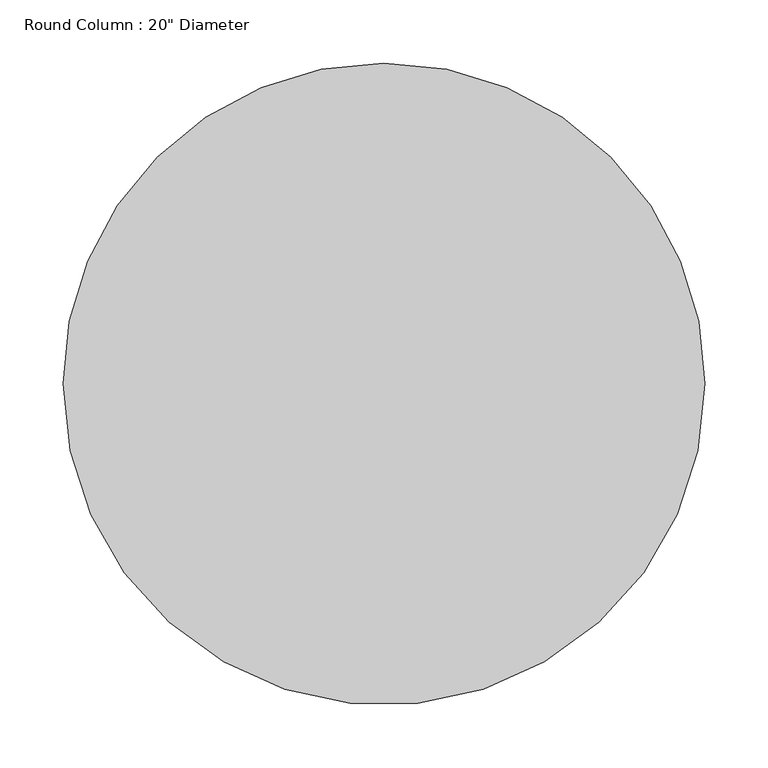
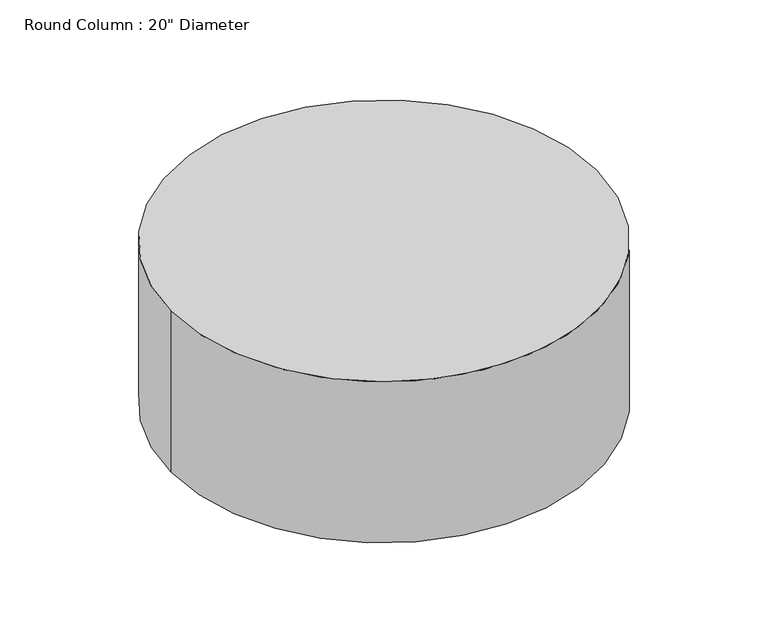
"""IFC4 building model written with IfcOpenShell, lengths in millimetres: column geometry."""

from ifc_helpers import new_model, si_unit, point, frame, origin, origin_2d, place, context, project, spatial, circle_curve, trimmed, segment, composite_curve, outline, extrude, source, transform, mapped, element, save


def column_b7b0468c(model_context):
    return source(origin(), model_context, "Body", "SweptSolid", [
        extrude(outline(composite_curve([segment(trimmed(circle_curve(origin_2d(), 254.0), [point((254.0, 0.0))], [point((-254.0, 0.0))], False, "CARTESIAN"), True, "CONTINUOUS"), segment(trimmed(circle_curve(origin_2d(), 254.0), [point((-254.0, 0.0))], [point((0.0, 254.0))], False, "CARTESIAN"), True, "CONTINUOUS"), segment(trimmed(circle_curve(origin_2d(), 254.0), [point((0.0, 254.0))], [point((254.0, 0.0))], False, "CARTESIAN"), True, "CONTINUOUS")], self_intersect=False)), frame((0.0, 0.0, 1422.4), z_axis=(0.0, 0.0, 1.0), x_axis=(1.0, 0.0, 0.0)), (0.0, 0.0, 1.0), 203.2),
    ])


if __name__ == "__main__":
    model = new_model("IFC4")
    model_context = context("Model", 3, world=origin())
    ifc_project = project(units=[si_unit("LENGTHUNIT", "METRE", prefix="MILLI")], contexts=[model_context])
    site = spatial("IfcSite", under=ifc_project)
    building = spatial("IfcBuilding", under=site)
    placement = place(None, origin())
    column_shape = column_b7b0468c(model_context)
    element("IfcColumn", 1, ObjectType="Round Column : 20\" Diameter", at=placement, inside=building, context=model_context, shape_type="MappedRepresentation", body=[
        mapped(column_shape, transform((0.0, 0.0, 0.0), x_axis=(1.0, 0.0, 0.0), y_axis=(0.0, 1.0, 0.0), z_axis=(0.0, 0.0, 1.0))),
    ])
    save(model, "model.ifc")
